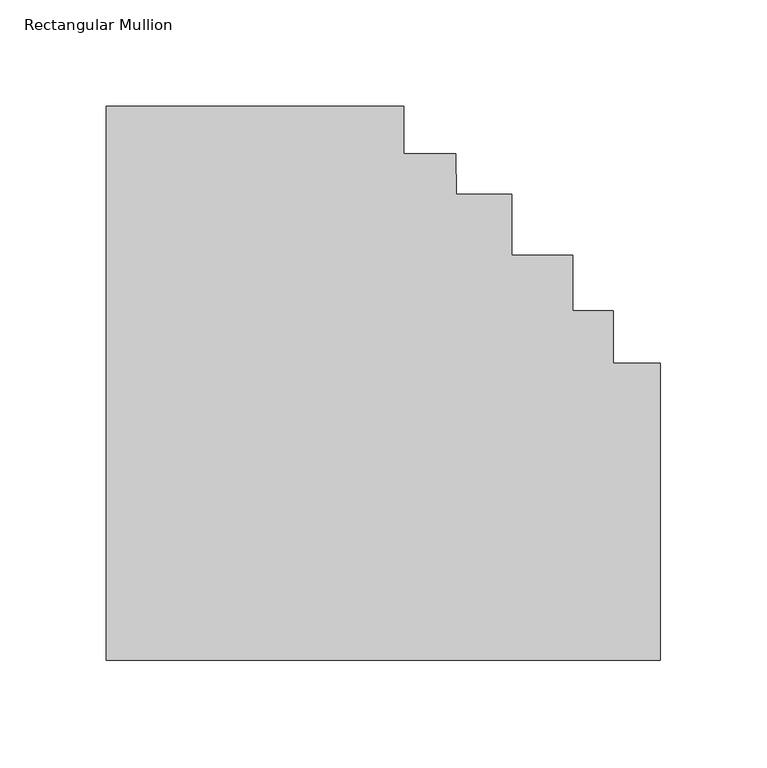
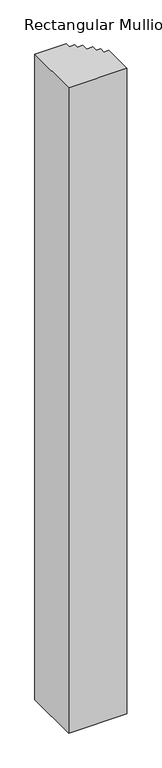
"""IFC4 building model written with IfcOpenShell, lengths in millimetres: member geometry, Rectangular Mullion."""

from ifc_helpers import new_model, si_unit, frame, origin, place, context, project, spatial, polyline, outline, extrude, source, transform, mapped, element, save


def rectangular_mullion_3183db56(model_context):
    return source(origin(), model_context, "Body", "SweptSolid", [
        extrude(outline(polyline([(0.0, -261.7693266), (-260.3499894, -261.7693266), (-260.3499894, -1.4193266), (-120.6499944, -1.4193266), (-120.6499944, -23.6442133), (-96.0872905, -23.6442133), (-95.999981, -42.6944398), (-69.85, -42.6944398), (-69.85, -71.2693266), (-41.2751132, -71.2693266), (-41.2751132, -97.506617), (-22.2248868, -97.4193076), (-22.2248868, -122.0693266), (0.0, -122.0693266), (0.0, -261.7693266)])), frame((0.0, 0.0, -3048.0), z_axis=(0.0, 0.0, 1.0), x_axis=(1.0, 0.0, 0.0)), (0.0, 0.0, 1.0), 3048.0),
    ])


if __name__ == "__main__":
    model = new_model("IFC4")
    model_context = context("Model", 3, world=origin())
    ifc_project = project(units=[si_unit("LENGTHUNIT", "METRE", prefix="MILLI")], contexts=[model_context])
    site = spatial("IfcSite", under=ifc_project)
    building = spatial("IfcBuilding", under=site)
    placement = place(None, origin())
    rectangular_mullion_shape = rectangular_mullion_3183db56(model_context)
    element("IfcMember", 1, ObjectType="Rectangular Mullion", at=placement, inside=building, context=model_context, shape_type="MappedRepresentation", body=[
        mapped(rectangular_mullion_shape, transform((0.0, 0.0, 0.0), x_axis=(1.0, 0.0, 0.0), y_axis=(0.0, 1.0, 0.0), z_axis=(0.0, 0.0, 1.0))),
    ])
    save(model, "model.ifc")
